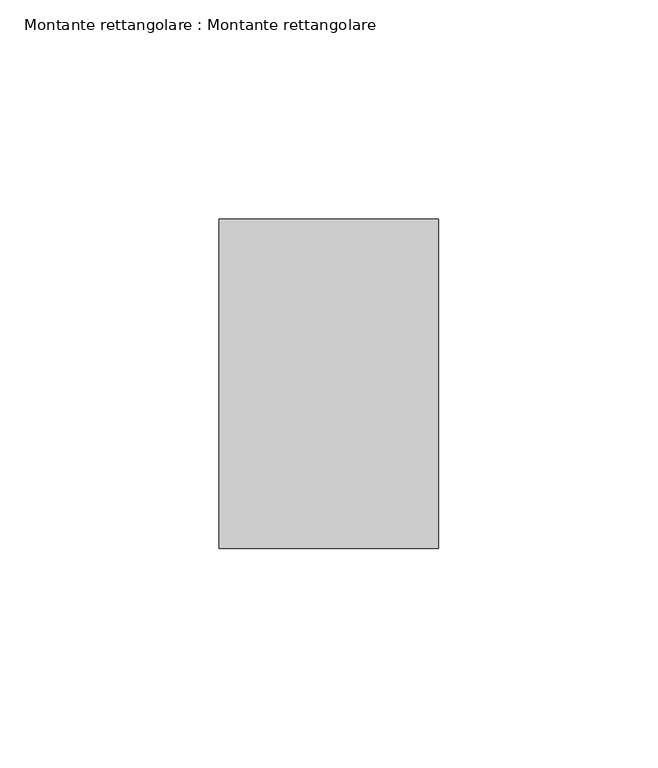
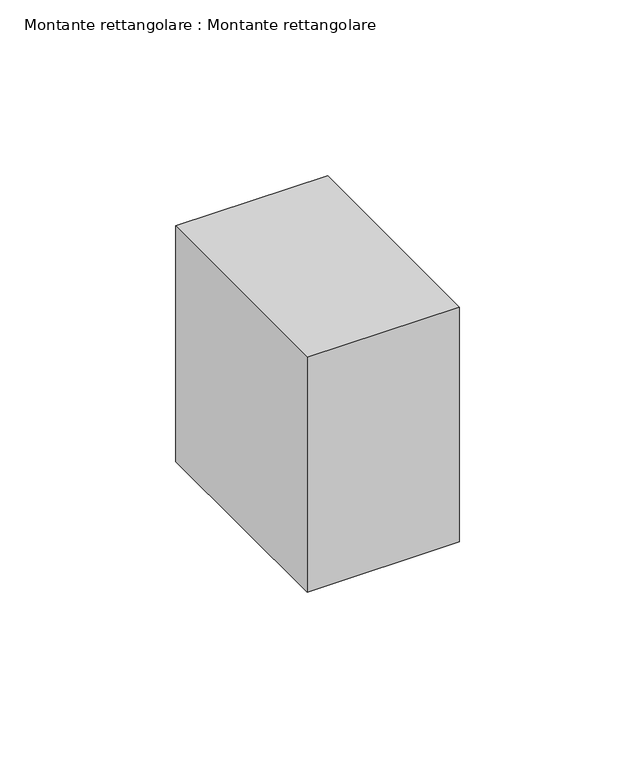
"""IFC4 building model written with IfcOpenShell, lengths in millimetres: member geometry, Montante rettangolare : Montante rettangolare."""

from ifc_helpers import new_model, si_unit, origin, place, context, project, spatial, faceted_brep, source, transform, mapped, element, save


def montante_rettangolare_montante_rettangolare_b6089d25(model_context):
    return source(origin(), model_context, "Body", "Brep", [
        faceted_brep([(-50.0, 37.5, 0.1164835), (0.0, 37.5, 0.1164835), (0.0, 37.5, -81.7945133), (-50.0, 37.5, -81.7945133), (-50.0, -37.5, -0.1164835), (-50.0, -37.4638263, -81.7402936), (0.0, -37.5, -0.1164835), (0.0, -37.5, -81.7402674)], [[[0, 1, 2, 3]], [[4, 0, 3, 5]], [[6, 4, 5, 7]], [[1, 6, 7, 2]], [[1, 0, 4, 6]], [[2, 7, 5, 3]]]),
    ])


if __name__ == "__main__":
    model = new_model("IFC4")
    model_context = context("Model", 3, world=origin())
    ifc_project = project(units=[si_unit("LENGTHUNIT", "METRE", prefix="MILLI")], contexts=[model_context])
    site = spatial("IfcSite", under=ifc_project)
    building = spatial("IfcBuilding", under=site)
    placement = place(None, origin())
    montante_rettangolare_montante_rettangolare_shape = montante_rettangolare_montante_rettangolare_b6089d25(model_context)
    element("IfcMember", 1, ObjectType="Montante rettangolare : Montante rettangolare", at=placement, inside=building, context=model_context, shape_type="MappedRepresentation", body=[
        mapped(montante_rettangolare_montante_rettangolare_shape, transform((0.0, 0.0, 0.0), x_axis=(1.0, 0.0, 0.0), y_axis=(0.0, 1.0, 0.0), z_axis=(0.0, 0.0, 1.0))),
    ])
    save(model, "model.ifc")
